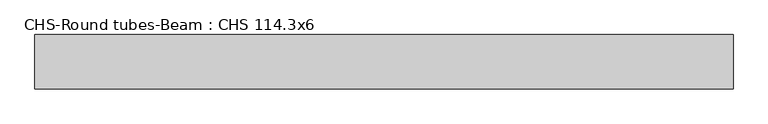
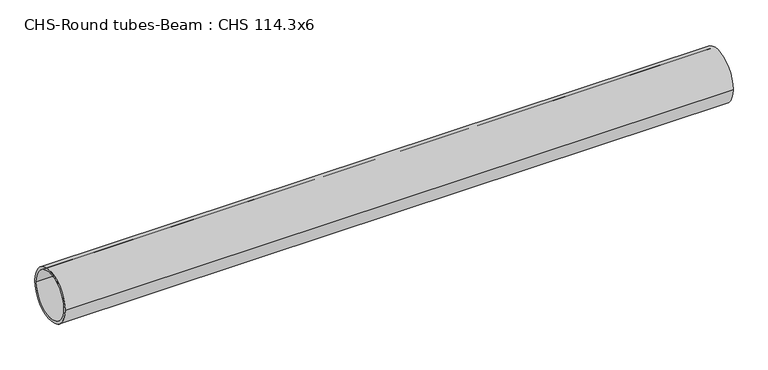
"""IFC4 building model written with IfcOpenShell, lengths in millimetres: beam geometry, CHS-Round tubes-Beam : CHS 114.3x6."""

from ifc_helpers import new_model, si_unit, point, frame, origin, origin_2d, place, context, project, spatial, circle_curve, trimmed, segment, composite_curve, outline, extrude, source, transform, mapped, element, save


def chs_round_tubes_beam_chs_114_3x6_07cd86a8(model_context):
    return source(origin(), model_context, "Body", "SweptSolid", [
        extrude(outline(composite_curve([segment(trimmed(circle_curve(origin_2d(), 57.15), [point((57.15, 0.0))], [point((-57.15, 0.0))], False, "CARTESIAN"), True, "CONTINUOUS"), segment(trimmed(circle_curve(origin_2d(), 57.15), [point((-57.15, 0.0))], [point((57.15, 0.0))], False, "CARTESIAN"), True, "CONTINUOUS")], self_intersect=False), holes=[composite_curve([segment(trimmed(circle_curve(origin_2d(), 51.15), [point((51.15, 0.0))], [point((-51.15, 0.0))], True, "CARTESIAN"), True, "CONTINUOUS"), segment(trimmed(circle_curve(origin_2d(), 51.15), [point((-51.15, 0.0))], [point((51.15, 0.0))], True, "CARTESIAN"), True, "CONTINUOUS")], self_intersect=False)]), frame((-772.7541234, 0.0, 0.0), z_axis=(1.0, 0.0, 0.0), x_axis=(0.0, 1.0, 0.0)), (0.0, 0.0, 1.0), 1462.3636772),
    ])


if __name__ == "__main__":
    model = new_model("IFC4")
    model_context = context("Model", 3, world=origin())
    ifc_project = project(units=[si_unit("LENGTHUNIT", "METRE", prefix="MILLI")], contexts=[model_context])
    site = spatial("IfcSite", under=ifc_project)
    building = spatial("IfcBuilding", under=site)
    placement = place(None, origin())
    chs_round_tubes_beam_chs_114_3x6_shape = chs_round_tubes_beam_chs_114_3x6_07cd86a8(model_context)
    element("IfcBeam", 1, ObjectType="CHS-Round tubes-Beam : CHS 114.3x6", at=placement, inside=building, context=model_context, shape_type="MappedRepresentation", body=[
        mapped(chs_round_tubes_beam_chs_114_3x6_shape, transform((0.0, 0.0, 0.0), x_axis=(1.0, 0.0, 0.0), y_axis=(0.0, 1.0, 0.0), z_axis=(0.0, 0.0, 1.0))),
    ])
    save(model, "model.ifc")
